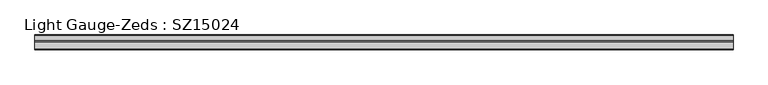
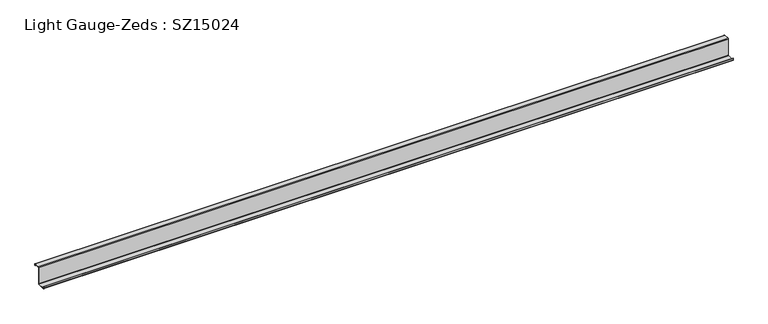
"""IFC4 building model written with IfcOpenShell, lengths in millimetres: beam geometry, Light Gauge-Zeds : SZ15024."""

from ifc_helpers import new_model, si_unit, point, frame, frame_2d, origin, place, context, project, spatial, polyline, circle_curve, trimmed, segment, composite_curve, outline, extrude, source, transform, mapped, element, save


def light_gauge_zeds_sz15024_49392aee(model_context):
    return source(origin(), model_context, "Body", "SweptSolid", [
        extrude(outline(composite_curve([segment(trimmed(circle_curve(frame_2d((-4.4, -71.6)), 4.4), [point((0.0, -71.6))], [point((-4.4, -76.0))], False, "CARTESIAN"), True, "CONTINUOUS"), segment(polyline([(-4.4, -76.0), (-65.6, -76.0)]), True, "CONTINUOUS"), segment(trimmed(circle_curve(frame_2d((-65.6, -71.6)), 4.4), [point((-65.6, -76.0))], [point((-70.0, -71.6))], False, "CARTESIAN"), True, "CONTINUOUS"), segment(polyline([(-70.0, -71.6), (-70.0, -56.0), (-67.6, -56.0), (-67.6, -71.6)]), True, "CONTINUOUS"), segment(trimmed(circle_curve(frame_2d((-65.6, -71.6)), 2.0), [point((-67.6, -71.6))], [point((-65.6, -73.6))], True, "CARTESIAN"), True, "CONTINUOUS"), segment(polyline([(-65.6, -73.6), (-4.4, -73.6)]), True, "CONTINUOUS"), segment(trimmed(circle_curve(frame_2d((-4.4, -71.6)), 2.0), [point((-4.4, -73.6))], [point((-2.4, -71.6))], True, "CARTESIAN"), True, "CONTINUOUS"), segment(polyline([(-2.4, -71.6), (-2.4, 71.6)]), True, "CONTINUOUS"), segment(trimmed(circle_curve(frame_2d((2.0, 71.6)), 4.4), [point((-2.4, 71.6))], [point((2.0, 76.0))], False, "CARTESIAN"), True, "CONTINUOUS"), segment(polyline([(2.0, 76.0), (47.6, 76.0)]), True, "CONTINUOUS"), segment(trimmed(circle_curve(frame_2d((47.6, 71.6)), 4.4), [point((47.6, 76.0))], [point((52.0, 71.6))], False, "CARTESIAN"), True, "CONTINUOUS"), segment(polyline([(52.0, 71.6), (52.0, 57.0), (49.6, 57.0), (49.6, 71.6)]), True, "CONTINUOUS"), segment(trimmed(circle_curve(frame_2d((47.6, 71.6)), 2.0), [point((49.6, 71.6))], [point((47.6, 73.6))], True, "CARTESIAN"), True, "CONTINUOUS"), segment(polyline([(47.6, 73.6), (2.0, 73.6)]), True, "CONTINUOUS"), segment(trimmed(circle_curve(frame_2d((2.0, 71.6)), 2.0), [point((2.0, 73.6))], [point((0.0, 71.6))], True, "CARTESIAN"), True, "CONTINUOUS"), segment(polyline([(0.0, 71.6), (0.0, -71.6)]), True, "CONTINUOUS")], self_intersect=False)), frame((-2877.0, 0.0, 0.0), z_axis=(1.0, 0.0, 0.0), x_axis=(0.0, 1.0, 0.0)), (0.0, 0.0, 1.0), 5754.0),
    ])


if __name__ == "__main__":
    model = new_model("IFC4")
    model_context = context("Model", 3, world=origin())
    ifc_project = project(units=[si_unit("LENGTHUNIT", "METRE", prefix="MILLI")], contexts=[model_context])
    site = spatial("IfcSite", under=ifc_project)
    building = spatial("IfcBuilding", under=site)
    placement = place(None, origin())
    light_gauge_zeds_sz15024_shape = light_gauge_zeds_sz15024_49392aee(model_context)
    element("IfcBeam", 1, ObjectType="Light Gauge-Zeds : SZ15024", at=placement, inside=building, context=model_context, shape_type="MappedRepresentation", body=[
        mapped(light_gauge_zeds_sz15024_shape, transform((0.0, 0.0, 0.0), x_axis=(1.0, 0.0, 0.0), y_axis=(0.0, 1.0, 0.0), z_axis=(0.0, 0.0, 1.0))),
    ])
    save(model, "model.ifc")
